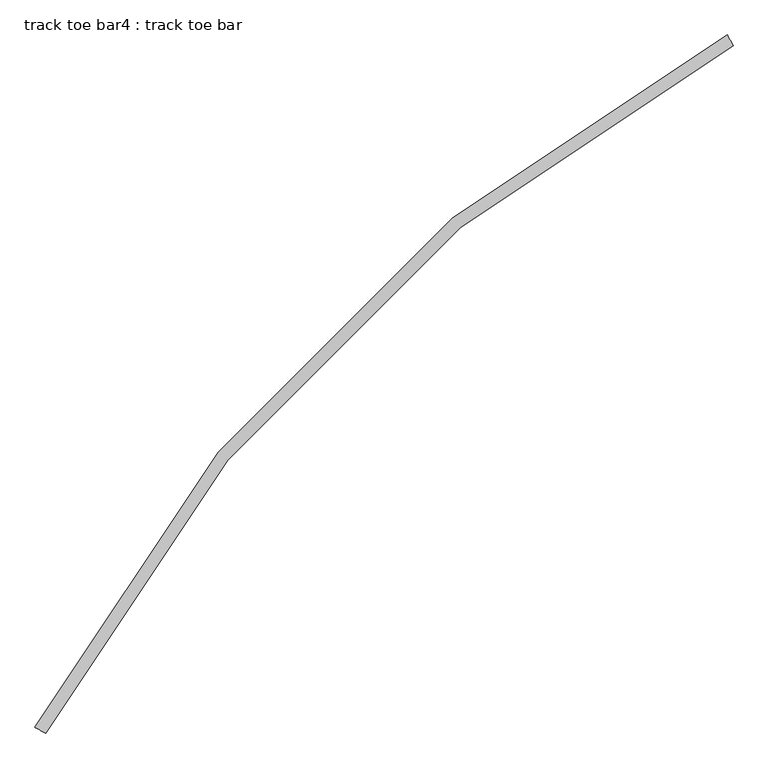
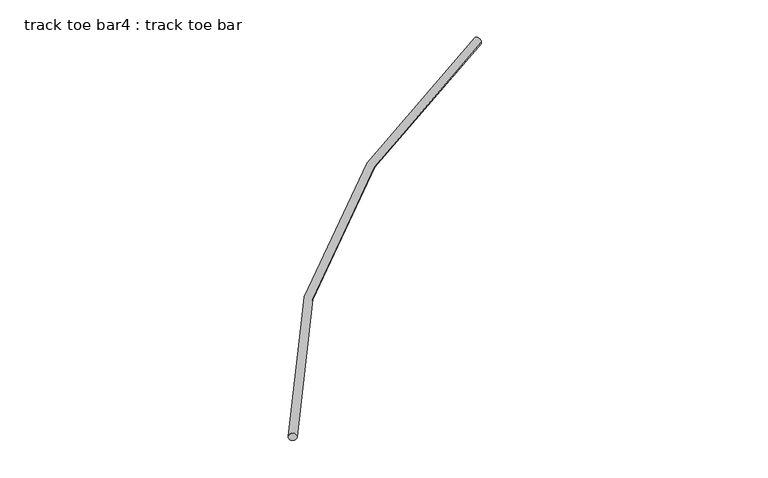
"""IFC4 building model written with IfcOpenShell, lengths in millimetres: proxy geometry, track toe bar4 : track toe bar."""

from ifc_helpers import new_model, si_unit, point, frame, origin, place, context, project, spatial, circle_curve, ellipse_curve, trimmed, source, transform, mapped, element, save
from ifc_brep_helpers import plane_surface, revolved_surface, advanced_brep


def track_toe_bar4_track_toe_bar_fbf77acb(model_context):
    return source(origin(), model_context, "Body", "AdvancedBrep", [
        advanced_brep(
        [(493950.1951834, -250653.1130322, 4855.8150744), (493914.3363598, -250585.8777381, 4855.8150744), (489635.9304775, -254967.3777381, 4855.8150744), (489568.6951833, -254931.5189146, 4855.8150744)],
        [
            (0, 1, circle_curve(frame((493932.2657716, -250619.4953851, 4855.8150744), z_axis=(0.8823529411766178, 0.47058823529384186, 0.0), x_axis=(-0.47058823529384186, 0.8823529411766178, 0.0)), 38.1)),
            (1, 0, circle_curve(frame((493932.2657716, -250619.4953851, 4855.8150744), z_axis=(0.8823529411766178, 0.47058823529384186, 0.0), x_axis=(-0.47058823529384186, 0.8823529411766178, 0.0)), 38.1)),
            (2, 3, circle_curve(frame((489602.3128304, -254949.4483263, 4855.8150744), z_axis=(-0.47058823529386234, -0.8823529411766067, 0.0), x_axis=(-0.8823529411766067, 0.47058823529386234, 0.0)), 38.1)),
            (3, 2, circle_curve(frame((489602.3128304, -254949.4483263, 4855.8150744), z_axis=(-0.47058823529386234, -0.8823529411766067, 0.0), x_axis=(-0.8823529411766067, 0.47058823529386234, 0.0)), 38.1)),
            (2, 0, circle_curve(frame((498880.7834186, -259897.9659734, 4855.8150744), z_axis=(0.0, 0.0, -1.0), x_axis=(-0.47058823529384175, 0.8823529411766178, 0.0)), 10477.5)),
            (1, 3, circle_curve(frame((498880.7834186, -259897.9659734, 4855.8150744), z_axis=(0.0, 0.0, 1.0), x_axis=(-0.47058823529384175, 0.8823529411766178, 0.0)), 10553.7)),
        ],
        [
            plane_surface(frame((493932.2657716, -250619.4953851, 4927.6), z_axis=(0.8823529411766178, 0.47058823529384186, 0.0), x_axis=(0.0, 0.0, 1.0))),
            plane_surface(frame((489602.3128304, -254949.4483263, 4927.6), z_axis=(-0.4705882352938624, -0.8823529411766067, 0.0), x_axis=(0.0, 0.0, 1.0))),
            revolved_surface(trimmed(ellipse_curve(frame((493932.2657716, -250619.4953851, 4855.8150744), z_axis=(0.8823529411766178, 0.47058823529384186, 0.0), x_axis=(-0.47058823529384186, 0.8823529411766178, 0.0)), 38.1, 38.1), [point((493914.3363598, -250585.8777381, 4855.8150744))], [point((493950.1951834, -250653.1130322, 4855.8150744))], True, "CARTESIAN"), (498880.7834186, -259897.9659734, 4927.6), (0.0, 0.0, 1.0)),
            revolved_surface(trimmed(ellipse_curve(frame((493932.2657716, -250619.4953851, 4855.8150744), z_axis=(0.8823529411766178, 0.47058823529384186, 0.0), x_axis=(-0.47058823529384186, 0.8823529411766178, 0.0)), 38.1, 38.1), [point((493950.1951834, -250653.1130322, 4855.8150744))], [point((493914.3363598, -250585.8777381, 4855.8150744))], True, "CARTESIAN"), (498880.7834186, -259897.9659734, 4927.6), (0.0, 0.0, 1.0)),
        ],
        [
            (0, [[1, 2]]),
            (1, [[3, 4]]),
            (2, [[5, -2, 6, -3]]),
            (3, [[-6, -1, -5, -4]]),
        ],
    ),
    ])


if __name__ == "__main__":
    model = new_model("IFC4")
    model_context = context("Model", 3, world=origin())
    ifc_project = project(units=[si_unit("LENGTHUNIT", "METRE", prefix="MILLI")], contexts=[model_context])
    site = spatial("IfcSite", under=ifc_project)
    building = spatial("IfcBuilding", under=site)
    placement = place(None, origin())
    track_toe_bar4_track_toe_bar_shape = track_toe_bar4_track_toe_bar_fbf77acb(model_context)
    element("IfcBuildingElementProxy", 1, Name="track toe bar4 : track toe bar", ObjectType="track toe bar4 : track toe bar", at=placement, inside=building, context=model_context, shape_type="MappedRepresentation", body=[
        mapped(track_toe_bar4_track_toe_bar_shape, transform((0.0, 0.0, 0.0), x_axis=(1.0, 0.0, 0.0), y_axis=(0.0, 1.0, 0.0), z_axis=(0.0, 0.0, 1.0))),
    ])
    save(model, "model.ifc")
